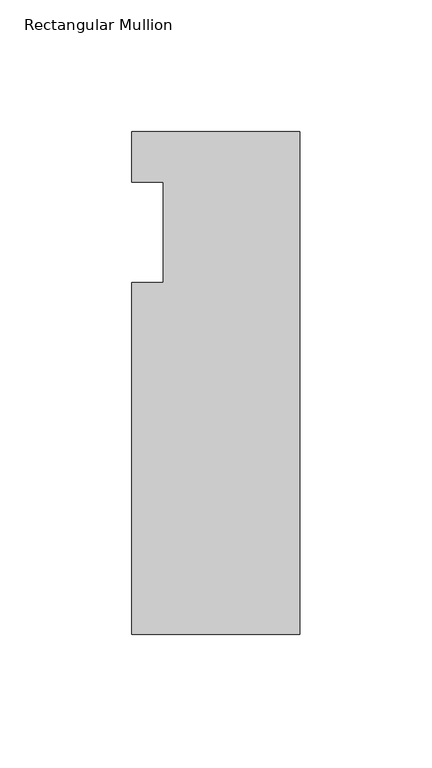
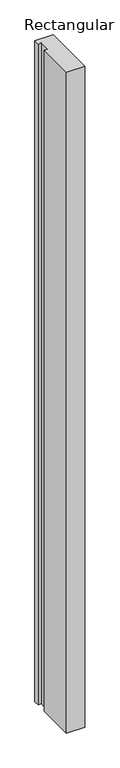
"""IFC4 building model written with IfcOpenShell, lengths in millimetres: member geometry, Rectangular Mullion."""

from ifc_helpers import new_model, si_unit, frame, origin, place, context, project, spatial, polyline, outline, extrude, source, transform, mapped, element, save


def rectangular_mullion_740ff13b(model_context):
    return source(origin(), model_context, "Body", "SweptSolid", [
        extrude(outline(polyline([(-63.5, -152.4), (-63.5, -19.05), (-51.5874, -19.05), (-51.5874, 19.0504842), (-63.5, 19.0504842), (-63.5, 38.1), (0.0, 38.1), (0.0, -152.4), (-63.5, -152.4)])), frame((0.0, 0.0, -2438.4), z_axis=(0.0, 0.0, 1.0), x_axis=(1.0, 0.0, 0.0)), (0.0, 0.0, 1.0), 2438.4),
    ])


if __name__ == "__main__":
    model = new_model("IFC4")
    model_context = context("Model", 3, world=origin())
    ifc_project = project(units=[si_unit("LENGTHUNIT", "METRE", prefix="MILLI")], contexts=[model_context])
    site = spatial("IfcSite", under=ifc_project)
    building = spatial("IfcBuilding", under=site)
    placement = place(None, origin())
    rectangular_mullion_shape = rectangular_mullion_740ff13b(model_context)
    element("IfcMember", 1, ObjectType="Rectangular Mullion", at=placement, inside=building, context=model_context, shape_type="MappedRepresentation", body=[
        mapped(rectangular_mullion_shape, transform((0.0, 0.0, 0.0), x_axis=(1.0, 0.0, 0.0), y_axis=(0.0, 1.0, 0.0), z_axis=(0.0, 0.0, 1.0))),
    ])
    save(model, "model.ifc")
